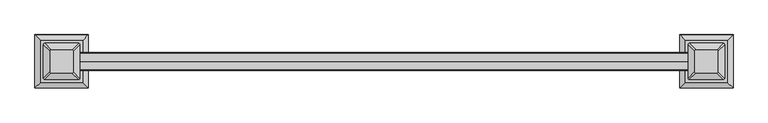
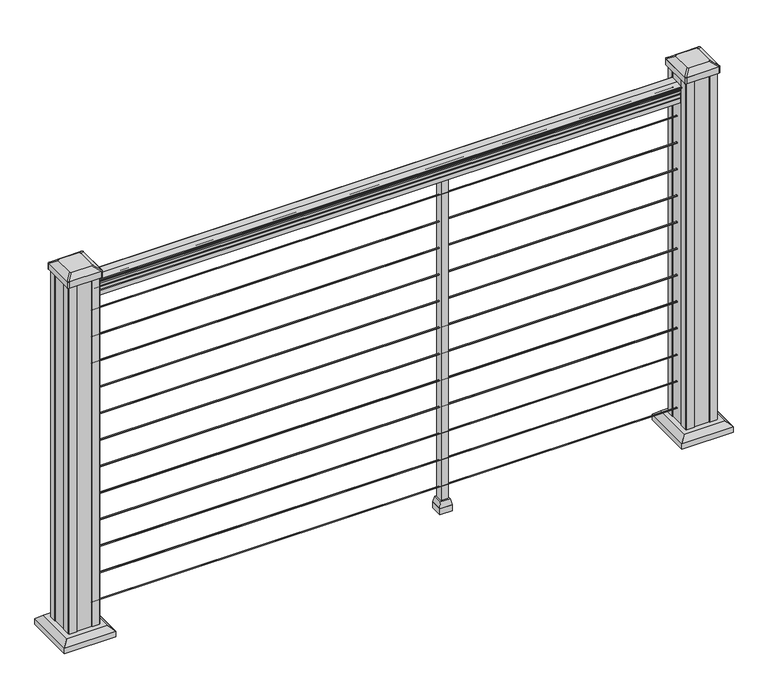
"""IFC4 building model written with IfcOpenShell, lengths in millimetres: railing geometry."""

from ifc_helpers import new_model, si_unit, point, frame, frame_2d, origin, origin_with_axes, place, context, project, spatial, polyline, circle_curve, trimmed, segment, composite_curve, outline, extrude, faceted_brep, source, transform, mapped, element, save
from ifc_brep_helpers import plane_surface, extruded_surface, advanced_brep


def railing_32622c0c(model_context):
    return source(origin(), model_context, "Body", "SolidModel", [
        extrude(outline(composite_curve([segment(polyline([(-101258.1992427, 938.4043297), (-101258.1992427, 940.292412)]), True, "CONTINUOUS"), segment(trimmed(circle_curve(frame_2d((-101251.8844895, 946.0506383)), 8.545951), [point((-101258.1992427, 940.292412))], [point((-101259.329429, 941.8546695))], False, "CARTESIAN"), True, "CONTINUOUS"), segment(trimmed(circle_curve(frame_2d((-101252.3215524, 945.4636577)), 7.882584), [point((-101259.329429, 941.8546695))], [point((-101259.329429, 949.0726458))], False, "CARTESIAN"), True, "CONTINUOUS"), segment(trimmed(circle_curve(frame_2d((-101262.8348766, 951.3112527)), 4.1592695), [point((-101259.329429, 949.0726458))], [point((-101258.6801726, 951.5060812))], True, "CARTESIAN"), True, "CONTINUOUS"), segment(trimmed(circle_curve(frame_2d((-101264.1221831, 951.2508864)), 5.4479907), [point((-101258.6801726, 951.5060812))], [point((-101261.1801726, 955.8362083))], True, "CARTESIAN"), True, "CONTINUOUS"), segment(trimmed(circle_curve(frame_2d((-101262.8890247, 955.833395)), 1.7088543), [point((-101261.1801726, 955.8362083))], [point((-101262.5895151, 957.5157972))], True, "CARTESIAN"), True, "CONTINUOUS"), segment(trimmed(circle_curve(frame_2d((-101261.2721246, 958.6205318)), 1.7192895), [point((-101262.5895151, 957.5157972))], [point((-101262.9914141, 958.6205318))], False, "CARTESIAN"), True, "CONTINUOUS"), segment(polyline([(-101262.9914141, 958.6205318), (-101262.991414, 959.9608158)]), True, "CONTINUOUS"), segment(trimmed(circle_curve(frame_2d((-101261.4379668, 959.9608158)), 1.5534472), [point((-101262.991414, 959.9608158))], [point((-101261.4379668, 961.514263))], False, "CARTESIAN"), True, "CONTINUOUS"), segment(polyline([(-101261.4379668, 961.514263), (-101240.766414, 961.514263), (-101220.0948612, 961.514263)]), True, "CONTINUOUS"), segment(trimmed(circle_curve(frame_2d((-101220.0948612, 959.9608158)), 1.5534472), [point((-101220.0948612, 961.514263))], [point((-101218.541414, 959.9608158))], False, "CARTESIAN"), True, "CONTINUOUS"), segment(polyline([(-101218.541414, 959.9608158), (-101218.541414, 958.6205318)]), True, "CONTINUOUS"), segment(trimmed(circle_curve(frame_2d((-101220.2607034, 958.6205318)), 1.7192895), [point((-101218.541414, 958.6205318))], [point((-101218.9433129, 957.5157972))], False, "CARTESIAN"), True, "CONTINUOUS"), segment(trimmed(circle_curve(frame_2d((-101218.6438033, 955.833395)), 1.7088543), [point((-101218.9433129, 957.5157972))], [point((-101220.3526554, 955.8362083))], True, "CARTESIAN"), True, "CONTINUOUS"), segment(trimmed(circle_curve(frame_2d((-101217.4106449, 951.2508864)), 5.4479907), [point((-101220.3526554, 955.8362083))], [point((-101222.8526554, 951.5060812))], True, "CARTESIAN"), True, "CONTINUOUS"), segment(trimmed(circle_curve(frame_2d((-101218.6979515, 951.3112527)), 4.1592695), [point((-101222.8526554, 951.5060812))], [point((-101222.203399, 949.0726458))], True, "CARTESIAN"), True, "CONTINUOUS"), segment(trimmed(circle_curve(frame_2d((-101229.2112756, 945.4636577)), 7.882584), [point((-101222.203399, 949.0726458))], [point((-101222.203399, 941.8546695))], False, "CARTESIAN"), True, "CONTINUOUS"), segment(trimmed(circle_curve(frame_2d((-101229.6483386, 946.0506383)), 8.545951), [point((-101222.203399, 941.8546695))], [point((-101223.3335853, 940.292412))], False, "CARTESIAN"), True, "CONTINUOUS"), segment(polyline([(-101223.3335853, 940.292412), (-101223.3335853, 938.4043297)]), True, "CONTINUOUS"), segment(trimmed(circle_curve(frame_2d((-101224.6204996, 938.4043297)), 1.2869144), [point((-101223.3335853, 938.4043297))], [point((-101225.907414, 938.4043297))], False, "CARTESIAN"), True, "CONTINUOUS"), segment(polyline([(-101225.907414, 938.4043297), (-101225.907414, 927.9048283), (-101224.891414, 926.8888283), (-101224.891414, 914.4), (-101256.641414, 914.4), (-101256.641414, 926.731013), (-101255.625414, 927.747013), (-101255.625414, 938.4043297)]), True, "CONTINUOUS"), segment(trimmed(circle_curve(frame_2d((-101256.9123284, 938.4043297)), 1.2869144), [point((-101255.625414, 938.4043297))], [point((-101258.1992427, 938.4043297))], False, "CARTESIAN"), True, "CONTINUOUS")], self_intersect=False)), frame((14131.8060044, 0.0, 0.0), z_axis=(1.0, 0.0, 0.0), x_axis=(0.0, 1.0, 0.0)), (0.0, 0.0, 1.0), 1524.0),
        extrude(outline(composite_curve([segment(trimmed(circle_curve(frame_2d((-101240.766414, 65.024)), 1.5875), [point((-101239.178914, 65.024))], [point((-101240.766414, 63.4365))], False, "CARTESIAN"), True, "CONTINUOUS"), segment(trimmed(circle_curve(frame_2d((-101240.766414, 65.024)), 1.5875), [point((-101240.766414, 63.4365))], [point((-101242.353914, 65.024))], False, "CARTESIAN"), True, "CONTINUOUS"), segment(trimmed(circle_curve(frame_2d((-101240.766414, 65.024)), 1.5875), [point((-101242.353914, 65.024))], [point((-101240.766414, 66.6115))], False, "CARTESIAN"), True, "CONTINUOUS"), segment(trimmed(circle_curve(frame_2d((-101240.766414, 65.024)), 1.5875), [point((-101240.766414, 66.6115))], [point((-101239.178914, 65.024))], False, "CARTESIAN"), True, "CONTINUOUS")], self_intersect=False)), frame((14131.8060044, 0.0, 0.0), z_axis=(1.0, 0.0, 0.0), x_axis=(0.0, 1.0, 0.0)), (0.0, 0.0, 1.0), 1524.0),
        extrude(outline(composite_curve([segment(trimmed(circle_curve(frame_2d((-101240.766414, 138.176)), 1.5875), [point((-101239.178914, 138.176))], [point((-101240.766414, 136.5885))], False, "CARTESIAN"), True, "CONTINUOUS"), segment(trimmed(circle_curve(frame_2d((-101240.766414, 138.176)), 1.5875), [point((-101240.766414, 136.5885))], [point((-101242.353914, 138.176))], False, "CARTESIAN"), True, "CONTINUOUS"), segment(trimmed(circle_curve(frame_2d((-101240.766414, 138.176)), 1.5875), [point((-101242.353914, 138.176))], [point((-101240.766414, 139.7635))], False, "CARTESIAN"), True, "CONTINUOUS"), segment(trimmed(circle_curve(frame_2d((-101240.766414, 138.176)), 1.5875), [point((-101240.766414, 139.7635))], [point((-101239.178914, 138.176))], False, "CARTESIAN"), True, "CONTINUOUS")], self_intersect=False)), frame((14131.8060044, 0.0, 0.0), z_axis=(1.0, 0.0, 0.0), x_axis=(0.0, 1.0, 0.0)), (0.0, 0.0, 1.0), 1524.0),
        extrude(outline(composite_curve([segment(trimmed(circle_curve(frame_2d((-101240.766414, 211.074)), 1.5875), [point((-101239.178914, 211.074))], [point((-101240.766414, 209.4865))], False, "CARTESIAN"), True, "CONTINUOUS"), segment(trimmed(circle_curve(frame_2d((-101240.766414, 211.074)), 1.5875), [point((-101240.766414, 209.4865))], [point((-101242.353914, 211.074))], False, "CARTESIAN"), True, "CONTINUOUS"), segment(trimmed(circle_curve(frame_2d((-101240.766414, 211.074)), 1.5875), [point((-101242.353914, 211.074))], [point((-101240.766414, 212.6615))], False, "CARTESIAN"), True, "CONTINUOUS"), segment(trimmed(circle_curve(frame_2d((-101240.766414, 211.074)), 1.5875), [point((-101240.766414, 212.6615))], [point((-101239.178914, 211.074))], False, "CARTESIAN"), True, "CONTINUOUS")], self_intersect=False)), frame((14131.8060044, 0.0, 0.0), z_axis=(1.0, 0.0, 0.0), x_axis=(0.0, 1.0, 0.0)), (0.0, 0.0, 1.0), 1524.0),
        extrude(outline(composite_curve([segment(trimmed(circle_curve(frame_2d((-101240.766414, 284.226)), 1.5875), [point((-101239.178914, 284.226))], [point((-101240.766414, 282.6385))], False, "CARTESIAN"), True, "CONTINUOUS"), segment(trimmed(circle_curve(frame_2d((-101240.766414, 284.226)), 1.5875), [point((-101240.766414, 282.6385))], [point((-101242.353914, 284.226))], False, "CARTESIAN"), True, "CONTINUOUS"), segment(trimmed(circle_curve(frame_2d((-101240.766414, 284.226)), 1.5875), [point((-101242.353914, 284.226))], [point((-101240.766414, 285.8135))], False, "CARTESIAN"), True, "CONTINUOUS"), segment(trimmed(circle_curve(frame_2d((-101240.766414, 284.226)), 1.5875), [point((-101240.766414, 285.8135))], [point((-101239.178914, 284.226))], False, "CARTESIAN"), True, "CONTINUOUS")], self_intersect=False)), frame((14131.8060044, 0.0, 0.0), z_axis=(1.0, 0.0, 0.0), x_axis=(0.0, 1.0, 0.0)), (0.0, 0.0, 1.0), 1524.0),
        extrude(outline(composite_curve([segment(trimmed(circle_curve(frame_2d((-101240.766414, 357.124)), 1.5875), [point((-101239.178914, 357.124))], [point((-101240.766414, 355.5365))], False, "CARTESIAN"), True, "CONTINUOUS"), segment(trimmed(circle_curve(frame_2d((-101240.766414, 357.124)), 1.5875), [point((-101240.766414, 355.5365))], [point((-101242.353914, 357.124))], False, "CARTESIAN"), True, "CONTINUOUS"), segment(trimmed(circle_curve(frame_2d((-101240.766414, 357.124)), 1.5875), [point((-101242.353914, 357.124))], [point((-101240.766414, 358.7115))], False, "CARTESIAN"), True, "CONTINUOUS"), segment(trimmed(circle_curve(frame_2d((-101240.766414, 357.124)), 1.5875), [point((-101240.766414, 358.7115))], [point((-101239.178914, 357.124))], False, "CARTESIAN"), True, "CONTINUOUS")], self_intersect=False)), frame((14131.8060044, 0.0, 0.0), z_axis=(1.0, 0.0, 0.0), x_axis=(0.0, 1.0, 0.0)), (0.0, 0.0, 1.0), 1524.0),
        extrude(outline(composite_curve([segment(trimmed(circle_curve(frame_2d((-101240.766414, 430.276)), 1.5875), [point((-101239.178914, 430.276))], [point((-101240.766414, 428.6885))], False, "CARTESIAN"), True, "CONTINUOUS"), segment(trimmed(circle_curve(frame_2d((-101240.766414, 430.276)), 1.5875), [point((-101240.766414, 428.6885))], [point((-101242.353914, 430.276))], False, "CARTESIAN"), True, "CONTINUOUS"), segment(trimmed(circle_curve(frame_2d((-101240.766414, 430.276)), 1.5875), [point((-101242.353914, 430.276))], [point((-101240.766414, 431.8635))], False, "CARTESIAN"), True, "CONTINUOUS"), segment(trimmed(circle_curve(frame_2d((-101240.766414, 430.276)), 1.5875), [point((-101240.766414, 431.8635))], [point((-101239.178914, 430.276))], False, "CARTESIAN"), True, "CONTINUOUS")], self_intersect=False)), frame((14131.8060044, 0.0, 0.0), z_axis=(1.0, 0.0, 0.0), x_axis=(0.0, 1.0, 0.0)), (0.0, 0.0, 1.0), 1524.0),
        extrude(outline(composite_curve([segment(trimmed(circle_curve(frame_2d((-101240.766414, 503.174)), 1.5875), [point((-101239.178914, 503.174))], [point((-101240.766414, 501.5865))], False, "CARTESIAN"), True, "CONTINUOUS"), segment(trimmed(circle_curve(frame_2d((-101240.766414, 503.174)), 1.5875), [point((-101240.766414, 501.5865))], [point((-101242.353914, 503.174))], False, "CARTESIAN"), True, "CONTINUOUS"), segment(trimmed(circle_curve(frame_2d((-101240.766414, 503.174)), 1.5875), [point((-101242.353914, 503.174))], [point((-101240.766414, 504.7615))], False, "CARTESIAN"), True, "CONTINUOUS"), segment(trimmed(circle_curve(frame_2d((-101240.766414, 503.174)), 1.5875), [point((-101240.766414, 504.7615))], [point((-101239.178914, 503.174))], False, "CARTESIAN"), True, "CONTINUOUS")], self_intersect=False)), frame((14131.8060044, 0.0, 0.0), z_axis=(1.0, 0.0, 0.0), x_axis=(0.0, 1.0, 0.0)), (0.0, 0.0, 1.0), 1524.0),
        extrude(outline(composite_curve([segment(trimmed(circle_curve(frame_2d((-101240.766414, 576.326)), 1.5875), [point((-101239.178914, 576.326))], [point((-101240.766414, 574.7385))], False, "CARTESIAN"), True, "CONTINUOUS"), segment(trimmed(circle_curve(frame_2d((-101240.766414, 576.326)), 1.5875), [point((-101240.766414, 574.7385))], [point((-101242.353914, 576.326))], False, "CARTESIAN"), True, "CONTINUOUS"), segment(trimmed(circle_curve(frame_2d((-101240.766414, 576.326)), 1.5875), [point((-101242.353914, 576.326))], [point((-101240.766414, 577.9135))], False, "CARTESIAN"), True, "CONTINUOUS"), segment(trimmed(circle_curve(frame_2d((-101240.766414, 576.326)), 1.5875), [point((-101240.766414, 577.9135))], [point((-101239.178914, 576.326))], False, "CARTESIAN"), True, "CONTINUOUS")], self_intersect=False)), frame((14131.8060044, 0.0, 0.0), z_axis=(1.0, 0.0, 0.0), x_axis=(0.0, 1.0, 0.0)), (0.0, 0.0, 1.0), 1524.0),
        extrude(outline(composite_curve([segment(trimmed(circle_curve(frame_2d((-101240.766414, 649.224)), 1.5875), [point((-101239.178914, 649.224))], [point((-101240.766414, 647.6365))], False, "CARTESIAN"), True, "CONTINUOUS"), segment(trimmed(circle_curve(frame_2d((-101240.766414, 649.224)), 1.5875), [point((-101240.766414, 647.6365))], [point((-101242.353914, 649.224))], False, "CARTESIAN"), True, "CONTINUOUS"), segment(trimmed(circle_curve(frame_2d((-101240.766414, 649.224)), 1.5875), [point((-101242.353914, 649.224))], [point((-101240.766414, 650.8115))], False, "CARTESIAN"), True, "CONTINUOUS"), segment(trimmed(circle_curve(frame_2d((-101240.766414, 649.224)), 1.5875), [point((-101240.766414, 650.8115))], [point((-101239.178914, 649.224))], False, "CARTESIAN"), True, "CONTINUOUS")], self_intersect=False)), frame((14131.8060044, 0.0, 0.0), z_axis=(1.0, 0.0, 0.0), x_axis=(0.0, 1.0, 0.0)), (0.0, 0.0, 1.0), 1524.0),
        extrude(outline(composite_curve([segment(trimmed(circle_curve(frame_2d((-101240.766414, 722.376)), 1.5875), [point((-101239.178914, 722.376))], [point((-101240.766414, 720.7885))], False, "CARTESIAN"), True, "CONTINUOUS"), segment(trimmed(circle_curve(frame_2d((-101240.766414, 722.376)), 1.5875), [point((-101240.766414, 720.7885))], [point((-101242.353914, 722.376))], False, "CARTESIAN"), True, "CONTINUOUS"), segment(trimmed(circle_curve(frame_2d((-101240.766414, 722.376)), 1.5875), [point((-101242.353914, 722.376))], [point((-101240.766414, 723.9635))], False, "CARTESIAN"), True, "CONTINUOUS"), segment(trimmed(circle_curve(frame_2d((-101240.766414, 722.376)), 1.5875), [point((-101240.766414, 723.9635))], [point((-101239.178914, 722.376))], False, "CARTESIAN"), True, "CONTINUOUS")], self_intersect=False)), frame((14131.8060044, 0.0, 0.0), z_axis=(1.0, 0.0, 0.0), x_axis=(0.0, 1.0, 0.0)), (0.0, 0.0, 1.0), 1524.0),
        extrude(outline(composite_curve([segment(trimmed(circle_curve(frame_2d((-101240.766414, 795.274)), 1.5875), [point((-101239.178914, 795.274))], [point((-101240.766414, 793.6865))], False, "CARTESIAN"), True, "CONTINUOUS"), segment(trimmed(circle_curve(frame_2d((-101240.766414, 795.274)), 1.5875), [point((-101240.766414, 793.6865))], [point((-101242.353914, 795.274))], False, "CARTESIAN"), True, "CONTINUOUS"), segment(trimmed(circle_curve(frame_2d((-101240.766414, 795.274)), 1.5875), [point((-101242.353914, 795.274))], [point((-101240.766414, 796.8615))], False, "CARTESIAN"), True, "CONTINUOUS"), segment(trimmed(circle_curve(frame_2d((-101240.766414, 795.274)), 1.5875), [point((-101240.766414, 796.8615))], [point((-101239.178914, 795.274))], False, "CARTESIAN"), True, "CONTINUOUS")], self_intersect=False)), frame((14131.8060044, 0.0, 0.0), z_axis=(1.0, 0.0, 0.0), x_axis=(0.0, 1.0, 0.0)), (0.0, 0.0, 1.0), 1524.0),
        extrude(outline(composite_curve([segment(trimmed(circle_curve(frame_2d((-101240.766414, 868.426)), 1.5875), [point((-101239.178914, 868.426))], [point((-101240.766414, 866.8385))], False, "CARTESIAN"), True, "CONTINUOUS"), segment(trimmed(circle_curve(frame_2d((-101240.766414, 868.426)), 1.5875), [point((-101240.766414, 866.8385))], [point((-101242.353914, 868.426))], False, "CARTESIAN"), True, "CONTINUOUS"), segment(trimmed(circle_curve(frame_2d((-101240.766414, 868.426)), 1.5875), [point((-101242.353914, 868.426))], [point((-101240.766414, 870.0135))], False, "CARTESIAN"), True, "CONTINUOUS"), segment(trimmed(circle_curve(frame_2d((-101240.766414, 868.426)), 1.5875), [point((-101240.766414, 870.0135))], [point((-101239.178914, 868.426))], False, "CARTESIAN"), True, "CONTINUOUS")], self_intersect=False)), frame((14131.8060044, 0.0, 0.0), z_axis=(1.0, 0.0, 0.0), x_axis=(0.0, 1.0, 0.0)), (0.0, 0.0, 1.0), 1524.0),
        faceted_brep([(15033.5060044, -101253.466414, 32.1497081), (15058.9060044, -101253.466414, 32.1497081), (15058.9060044, -101228.066414, 32.1497081), (15033.5060044, -101228.066414, 32.1497081), (15030.3310044, -101256.641414, 16.2747081), (15030.3310044, -101224.891414, 16.2747081), (15062.0810044, -101224.891414, 16.2747081), (15062.0810044, -101256.641414, 16.2747081)], [[[0, 1, 2, 3]], [[4, 5, 6, 7]], [[4, 0, 3, 5]], [[5, 3, 2, 6]], [[6, 2, 1, 7]], [[7, 1, 0, 4]]]),
        extrude(outline(polyline([(15030.3310044, -101256.641414), (15030.3310044, -101224.891414), (15062.0810044, -101224.891414), (15062.0810044, -101256.641414), (15030.3310044, -101256.641414)])), origin_with_axes(), (0.0, 0.0, 1.0), 16.2747081),
        extrude(outline(polyline([(15036.6810044, -101250.291414), (15036.6810044, -101231.241414), (15055.7310044, -101231.241414), (15055.7310044, -101250.291414), (15036.6810044, -101250.291414)])), origin_with_axes(), (0.0, 0.0, 1.0), 914.4),
        faceted_brep([(15644.6220669, -101293.3523515, 28.575), (15749.7939419, -101293.3523515, 28.575), (15749.7939419, -101188.1804765, 28.575), (15644.6220669, -101188.1804765, 28.575), (15630.5826138, -101307.3918046, 15.24), (15630.5826138, -101174.1410234, 15.24), (15763.8333951, -101174.1410234, 15.24), (15763.8333951, -101307.3918046, 15.24)], [[[0, 1, 2, 3]], [[4, 5, 6, 7]], [[4, 0, 3, 5]], [[5, 3, 2, 6]], [[6, 2, 1, 7]], [[7, 1, 0, 4]]]),
        extrude(outline(polyline([(15630.5826138, -101307.3918046), (15630.5826138, -101174.1410234), (15763.8333951, -101174.1410234), (15763.8333951, -101307.3918046), (15630.5826138, -101307.3918046)])), origin_with_axes(), (0.0, 0.0, 1.0), 15.24),
        advanced_brep(
        [(15668.2361294, -101214.969539, 1012.825), (15668.2361294, -101266.563289, 1012.825), (15671.4111294, -101269.738289, 1012.825), (15723.0048794, -101269.738289, 1012.825), (15726.1798794, -101266.563289, 1012.825), (15726.1798794, -101214.969539, 1012.825), (15723.0048794, -101211.794539, 1012.825), (15671.4111294, -101211.794539, 1012.825), (15651.9642544, -101198.697664, 1001.522), (15655.1392544, -101195.522664, 1001.522), (15739.2767544, -101195.522664, 1001.522), (15742.4517544, -101198.697664, 1001.522), (15742.4517544, -101282.835164, 1001.522), (15739.2767544, -101286.010164, 1001.522), (15655.1392544, -101286.010164, 1001.522), (15651.9642544, -101282.835164, 1001.522)],
        [
            (0, 1),
            (1, 2, circle_curve(frame((15671.4111294, -101266.563289, 1012.825), z_axis=(0.0, 0.0, 1.0), x_axis=(1.0, 0.0, 0.0)), 3.175)),
            (2, 3),
            (3, 4, circle_curve(frame((15723.0048794, -101266.563289, 1012.825), z_axis=(0.0, 0.0, 1.0), x_axis=(1.0, 0.0, 0.0)), 3.175)),
            (4, 5),
            (5, 6, circle_curve(frame((15723.0048794, -101214.969539, 1012.825), z_axis=(0.0, 0.0, 1.0), x_axis=(1.0, 0.0, 0.0)), 3.175)),
            (6, 7),
            (7, 0, circle_curve(frame((15671.4111294, -101214.969539, 1012.825), z_axis=(0.0, 0.0, 1.0), x_axis=(1.0, 0.0, 0.0)), 3.175)),
            (8, 9, circle_curve(frame((15655.1392544, -101198.697664, 1001.522), z_axis=(0.0, 0.0, -1.0), x_axis=(1.0, 0.0, 0.0)), 3.175)),
            (9, 10),
            (10, 11, circle_curve(frame((15739.2767544, -101198.697664, 1001.522), z_axis=(0.0, 0.0, -1.0), x_axis=(1.0, 0.0, 0.0)), 3.175)),
            (11, 12),
            (12, 13, circle_curve(frame((15739.2767544, -101282.835164, 1001.522), z_axis=(0.0, 0.0, -1.0), x_axis=(1.0, 0.0, 0.0)), 3.175)),
            (13, 14),
            (14, 15, circle_curve(frame((15655.1392544, -101282.835164, 1001.522), z_axis=(0.0, 0.0, -1.0), x_axis=(1.0, 0.0, 0.0)), 3.175)),
            (15, 8),
            (8, 0),
            (7, 9),
            (6, 10),
            (5, 11),
            (4, 12),
            (3, 13),
            (2, 14),
            (1, 15),
        ],
        [
            plane_surface(frame((15697.2080044, -101240.766414, 1012.825), z_axis=(0.0, 0.0, 1.0), x_axis=(0.0, 1.0, 0.0))),
            plane_surface(frame((15697.2080044, -101240.766414, 1001.522), z_axis=(0.0, 0.0, -1.0), x_axis=(0.0, 1.0, 0.0))),
            extruded_surface(trimmed(circle_curve(frame((15671.4111294, -101214.969539, 1012.825), z_axis=(0.0, 0.0, -1.0), x_axis=(1.0, 0.0, 0.0)), 3.175), [point((15668.2361294, -101214.969539, 1012.825))], [point((15671.4111294, -101211.794539, 1012.825))], True, "CARTESIAN"), (-16.271875000000364, 16.27187499999127, -11.302999999999997), 25.637972638860848),
            plane_surface(frame((15697.2080044, -101195.522664, 1001.522), z_axis=(0.0, 0.5705009161540779, 0.8212969649690408), x_axis=(1.0, 0.0, 0.0))),
            extruded_surface(trimmed(circle_curve(frame((15723.0048794, -101214.969539, 1012.825), z_axis=(0.0, 0.0, -1.0), x_axis=(1.0, 0.0, 0.0)), 3.175), [point((15723.0048794, -101211.794539, 1012.825))], [point((15726.1798794, -101214.969539, 1012.825))], True, "CARTESIAN"), (16.271875000000364, 16.27187499999127, -11.302999999999997), 25.637972638860848),
            plane_surface(frame((15742.4517544, -101240.766414, 1001.522), z_axis=(0.5705009161540291, 0.0, 0.8212969649690747), x_axis=(0.0, -1.0, 0.0))),
            extruded_surface(trimmed(circle_curve(frame((15723.0048794, -101266.563289, 1012.825), z_axis=(0.0, 0.0, -1.0), x_axis=(1.0, 0.0, 0.0)), 3.175), [point((15726.1798794, -101266.563289, 1012.825))], [point((15723.0048794, -101269.738289, 1012.825))], True, "CARTESIAN"), (16.271875000000364, -16.27187500000582, -11.302999999999997), 25.637972638870085),
            plane_surface(frame((15697.2080044, -101286.010164, 1001.522), z_axis=(0.0, -0.5705009161540141, 0.8212969649690851), x_axis=(-1.0, 0.0, 0.0))),
            extruded_surface(trimmed(circle_curve(frame((15671.4111294, -101266.563289, 1012.825), z_axis=(0.0, 0.0, -1.0), x_axis=(1.0, 0.0, 0.0)), 3.175), [point((15671.4111294, -101269.738289, 1012.825))], [point((15668.2361294, -101266.563289, 1012.825))], True, "CARTESIAN"), (-16.271875000000364, -16.27187500000582, -11.302999999999997), 25.637972638870085),
            plane_surface(frame((15651.9642544, -101240.766414, 1001.522), z_axis=(-0.570500916154034, 0.0, 0.8212969649690713), x_axis=(0.0, 1.0, 0.0))),
        ],
        [
            (0, [[1, 2, 3, 4, 5, 6, 7, 8]]),
            (1, [[9, 10, 11, 12, 13, 14, 15, 16]]),
            (2, [[17, -8, 18, -9]]),
            (3, [[-18, -7, 19, -10]]),
            (4, [[-19, -6, 20, -11]]),
            (5, [[-20, -5, 21, -12]]),
            (6, [[-21, -4, 22, -13]]),
            (7, [[-22, -3, 23, -14]]),
            (8, [[-23, -2, 24, -15]]),
            (9, [[-24, -1, -17, -16]]),
        ],
    ),
        extrude(outline(composite_curve([segment(trimmed(circle_curve(frame_2d((15655.1392544, -101198.697664)), 3.175), [point((15651.9642544, -101198.697664))], [point((15655.1392544, -101195.522664))], False, "CARTESIAN"), True, "CONTINUOUS"), segment(polyline([(15655.1392544, -101195.522664), (15739.2767544, -101195.522664)]), True, "CONTINUOUS"), segment(trimmed(circle_curve(frame_2d((15739.2767544, -101198.697664)), 3.175), [point((15739.2767544, -101195.522664))], [point((15742.4517544, -101198.697664))], False, "CARTESIAN"), True, "CONTINUOUS"), segment(polyline([(15742.4517544, -101198.697664), (15742.4517544, -101282.835164)]), True, "CONTINUOUS"), segment(trimmed(circle_curve(frame_2d((15739.2767544, -101282.835164)), 3.175), [point((15742.4517544, -101282.835164))], [point((15739.2767544, -101286.010164))], False, "CARTESIAN"), True, "CONTINUOUS"), segment(polyline([(15739.2767544, -101286.010164), (15655.1392544, -101286.010164)]), True, "CONTINUOUS"), segment(trimmed(circle_curve(frame_2d((15655.1392544, -101282.835164)), 3.175), [point((15655.1392544, -101286.010164))], [point((15651.9642544, -101282.835164))], False, "CARTESIAN"), True, "CONTINUOUS"), segment(polyline([(15651.9642544, -101282.835164), (15651.9642544, -101198.697664)]), True, "CONTINUOUS")], self_intersect=False)), frame((0.0, 0.0, 984.25), z_axis=(0.0, 0.0, 1.0), x_axis=(1.0, 0.0, 0.0)), (0.0, 0.0, 1.0), 17.272),
        extrude(outline(polyline([(15655.9330044, -101201.078914), (15657.5205044, -101199.491414), (15677.1420044, -101199.491414), (15677.9040044, -101201.078914), (15716.5120044, -101201.078914), (15717.2740044, -101199.491414), (15736.8955044, -101199.491414), (15738.4830044, -101201.078914), (15738.4830044, -101220.700414), (15736.8955044, -101221.462414), (15736.8955044, -101260.070414), (15738.4830044, -101260.832414), (15738.4830044, -101280.453914), (15736.8955044, -101282.041414), (15717.2740044, -101282.041414), (15716.5120044, -101280.453914), (15677.9040044, -101280.453914), (15677.1420044, -101282.041414), (15657.5205044, -101282.041414), (15655.9330044, -101280.453914), (15655.9330044, -101260.832414), (15657.5205044, -101260.070414), (15657.5205044, -101221.462414), (15655.9330044, -101220.700414), (15655.9330044, -101201.078914)])), origin_with_axes(), (0.0, 0.0, 1.0), 984.25),
        faceted_brep([(14037.8180669, -101293.3523515, 28.575), (14142.9899419, -101293.3523515, 28.575), (14142.9899419, -101188.1804765, 28.575), (14037.8180669, -101188.1804765, 28.575), (14023.7786138, -101307.3918046, 15.24), (14023.7786138, -101174.1410234, 15.24), (14157.0293951, -101174.1410234, 15.24), (14157.0293951, -101307.3918046, 15.24)], [[[0, 1, 2, 3]], [[4, 5, 6, 7]], [[4, 0, 3, 5]], [[5, 3, 2, 6]], [[6, 2, 1, 7]], [[7, 1, 0, 4]]]),
        extrude(outline(polyline([(14023.7786138, -101307.3918046), (14023.7786138, -101174.1410234), (14157.0293951, -101174.1410234), (14157.0293951, -101307.3918046), (14023.7786138, -101307.3918046)])), origin_with_axes(), (0.0, 0.0, 1.0), 15.24),
        advanced_brep(
        [(14061.4321294, -101214.969539, 1012.825), (14061.4321294, -101266.563289, 1012.825), (14064.6071294, -101269.738289, 1012.825), (14116.2008794, -101269.738289, 1012.825), (14119.3758794, -101266.563289, 1012.825), (14119.3758794, -101214.969539, 1012.825), (14116.2008794, -101211.794539, 1012.825), (14064.6071294, -101211.794539, 1012.825), (14045.1602544, -101198.697664, 1001.522), (14048.3352544, -101195.522664, 1001.522), (14132.4727544, -101195.522664, 1001.522), (14135.6477544, -101198.697664, 1001.522), (14135.6477544, -101282.835164, 1001.522), (14132.4727544, -101286.010164, 1001.522), (14048.3352544, -101286.010164, 1001.522), (14045.1602544, -101282.835164, 1001.522)],
        [
            (0, 1),
            (1, 2, circle_curve(frame((14064.6071294, -101266.563289, 1012.825), z_axis=(0.0, 0.0, 1.0), x_axis=(1.0, 0.0, 0.0)), 3.175)),
            (2, 3),
            (3, 4, circle_curve(frame((14116.2008794, -101266.563289, 1012.825), z_axis=(0.0, 0.0, 1.0), x_axis=(1.0, 0.0, 0.0)), 3.175)),
            (4, 5),
            (5, 6, circle_curve(frame((14116.2008794, -101214.969539, 1012.825), z_axis=(0.0, 0.0, 1.0), x_axis=(1.0, 0.0, 0.0)), 3.175)),
            (6, 7),
            (7, 0, circle_curve(frame((14064.6071294, -101214.969539, 1012.825), z_axis=(0.0, 0.0, 1.0), x_axis=(1.0, 0.0, 0.0)), 3.175)),
            (8, 9, circle_curve(frame((14048.3352544, -101198.697664, 1001.522), z_axis=(0.0, 0.0, -1.0), x_axis=(1.0, 0.0, 0.0)), 3.175)),
            (9, 10),
            (10, 11, circle_curve(frame((14132.4727544, -101198.697664, 1001.522), z_axis=(0.0, 0.0, -1.0), x_axis=(1.0, 0.0, 0.0)), 3.175)),
            (11, 12),
            (12, 13, circle_curve(frame((14132.4727544, -101282.835164, 1001.522), z_axis=(0.0, 0.0, -1.0), x_axis=(1.0, 0.0, 0.0)), 3.175)),
            (13, 14),
            (14, 15, circle_curve(frame((14048.3352544, -101282.835164, 1001.522), z_axis=(0.0, 0.0, -1.0), x_axis=(1.0, 0.0, 0.0)), 3.175)),
            (15, 8),
            (8, 0),
            (7, 9),
            (6, 10),
            (5, 11),
            (4, 12),
            (3, 13),
            (2, 14),
            (1, 15),
        ],
        [
            plane_surface(frame((14090.4040044, -101240.766414, 1012.825), z_axis=(0.0, 0.0, 1.0), x_axis=(0.0, 1.0, 0.0))),
            plane_surface(frame((14090.4040044, -101240.766414, 1001.522), z_axis=(0.0, 0.0, -1.0), x_axis=(0.0, 1.0, 0.0))),
            extruded_surface(trimmed(circle_curve(frame((14064.6071294, -101214.969539, 1012.825), z_axis=(0.0, 0.0, -1.0), x_axis=(1.0, 0.0, 0.0)), 3.175), [point((14061.4321294, -101214.969539, 1012.825))], [point((14064.6071294, -101211.794539, 1012.825))], True, "CARTESIAN"), (-16.271874999998545, 16.27187499999127, -11.302999999999997), 25.637972638859697),
            plane_surface(frame((14090.4040044, -101195.522664, 1001.522), z_axis=(0.0, 0.5705009161540779, 0.8212969649690408), x_axis=(1.0, 0.0, 0.0))),
            extruded_surface(trimmed(circle_curve(frame((14116.2008794, -101214.969539, 1012.825), z_axis=(0.0, 0.0, -1.0), x_axis=(1.0, 0.0, 0.0)), 3.175), [point((14116.2008794, -101211.794539, 1012.825))], [point((14119.3758794, -101214.969539, 1012.825))], True, "CARTESIAN"), (16.271875000000364, 16.27187499999127, -11.302999999999997), 25.637972638860848),
            plane_surface(frame((14135.6477544, -101240.766414, 1001.522), z_axis=(0.5705009161540291, 0.0, 0.8212969649690747), x_axis=(0.0, -1.0, 0.0))),
            extruded_surface(trimmed(circle_curve(frame((14116.2008794, -101266.563289, 1012.825), z_axis=(0.0, 0.0, -1.0), x_axis=(1.0, 0.0, 0.0)), 3.175), [point((14119.3758794, -101266.563289, 1012.825))], [point((14116.2008794, -101269.738289, 1012.825))], True, "CARTESIAN"), (16.271875000000364, -16.27187500000582, -11.302999999999997), 25.637972638870085),
            plane_surface(frame((14090.4040044, -101286.010164, 1001.522), z_axis=(0.0, -0.5705009161540141, 0.8212969649690851), x_axis=(-1.0, 0.0, 0.0))),
            extruded_surface(trimmed(circle_curve(frame((14064.6071294, -101266.563289, 1012.825), z_axis=(0.0, 0.0, -1.0), x_axis=(1.0, 0.0, 0.0)), 3.175), [point((14064.6071294, -101269.738289, 1012.825))], [point((14061.4321294, -101266.563289, 1012.825))], True, "CARTESIAN"), (-16.271874999998545, -16.27187500000582, -11.302999999999997), 25.637972638868934),
            plane_surface(frame((14045.1602544, -101240.766414, 1001.522), z_axis=(-0.570500916154034, 0.0, 0.8212969649690713), x_axis=(0.0, 1.0, 0.0))),
        ],
        [
            (0, [[1, 2, 3, 4, 5, 6, 7, 8]]),
            (1, [[9, 10, 11, 12, 13, 14, 15, 16]]),
            (2, [[17, -8, 18, -9]]),
            (3, [[-18, -7, 19, -10]]),
            (4, [[-19, -6, 20, -11]]),
            (5, [[-20, -5, 21, -12]]),
            (6, [[-21, -4, 22, -13]]),
            (7, [[-22, -3, 23, -14]]),
            (8, [[-23, -2, 24, -15]]),
            (9, [[-24, -1, -17, -16]]),
        ],
    ),
        extrude(outline(composite_curve([segment(trimmed(circle_curve(frame_2d((14048.3352544, -101198.697664)), 3.175), [point((14045.1602544, -101198.697664))], [point((14048.3352544, -101195.522664))], False, "CARTESIAN"), True, "CONTINUOUS"), segment(polyline([(14048.3352544, -101195.522664), (14132.4727544, -101195.522664)]), True, "CONTINUOUS"), segment(trimmed(circle_curve(frame_2d((14132.4727544, -101198.697664)), 3.175), [point((14132.4727544, -101195.522664))], [point((14135.6477544, -101198.697664))], False, "CARTESIAN"), True, "CONTINUOUS"), segment(polyline([(14135.6477544, -101198.697664), (14135.6477544, -101282.835164)]), True, "CONTINUOUS"), segment(trimmed(circle_curve(frame_2d((14132.4727544, -101282.835164)), 3.175), [point((14135.6477544, -101282.835164))], [point((14132.4727544, -101286.010164))], False, "CARTESIAN"), True, "CONTINUOUS"), segment(polyline([(14132.4727544, -101286.010164), (14048.3352544, -101286.010164)]), True, "CONTINUOUS"), segment(trimmed(circle_curve(frame_2d((14048.3352544, -101282.835164)), 3.175), [point((14048.3352544, -101286.010164))], [point((14045.1602544, -101282.835164))], False, "CARTESIAN"), True, "CONTINUOUS"), segment(polyline([(14045.1602544, -101282.835164), (14045.1602544, -101198.697664)]), True, "CONTINUOUS")], self_intersect=False)), frame((0.0, 0.0, 984.25), z_axis=(0.0, 0.0, 1.0), x_axis=(1.0, 0.0, 0.0)), (0.0, 0.0, 1.0), 17.272),
        extrude(outline(polyline([(14049.1290044, -101201.078914), (14050.7165044, -101199.491414), (14070.3380044, -101199.491414), (14071.1000044, -101201.078914), (14109.7080044, -101201.078914), (14110.4700044, -101199.491414), (14130.0915044, -101199.491414), (14131.6790044, -101201.078914), (14131.6790044, -101220.700414), (14130.0915044, -101221.462414), (14130.0915044, -101260.070414), (14131.6790044, -101260.832414), (14131.6790044, -101280.453914), (14130.0915044, -101282.041414), (14110.4700044, -101282.041414), (14109.7080044, -101280.453914), (14071.1000044, -101280.453914), (14070.3380044, -101282.041414), (14050.7165044, -101282.041414), (14049.1290044, -101280.453914), (14049.1290044, -101260.832414), (14050.7165044, -101260.070414), (14050.7165044, -101221.462414), (14049.1290044, -101220.700414), (14049.1290044, -101201.078914)])), origin_with_axes(), (0.0, 0.0, 1.0), 984.25),
    ])


if __name__ == "__main__":
    model = new_model("IFC4")
    model_context = context("Model", 3, world=origin())
    ifc_project = project(units=[si_unit("LENGTHUNIT", "METRE", prefix="MILLI")], contexts=[model_context])
    site = spatial("IfcSite", under=ifc_project)
    building = spatial("IfcBuilding", under=site)
    placement = place(None, origin())
    railing_shape = railing_32622c0c(model_context)
    element("IfcRailing", 1, at=placement, inside=building, context=model_context, shape_type="MappedRepresentation", body=[
        mapped(railing_shape, transform((0.0, 0.0, 0.0), x_axis=(1.0, 0.0, 0.0), y_axis=(0.0, 1.0, 0.0), z_axis=(0.0, 0.0, 1.0))),
    ])
    save(model, "model.ifc")
